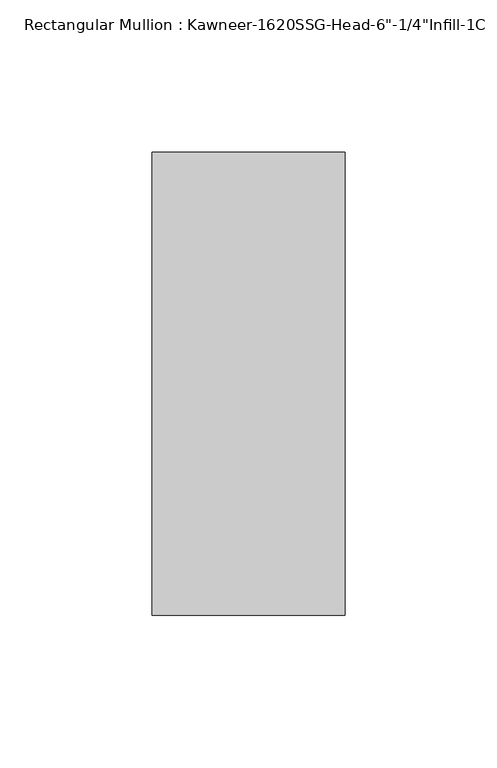
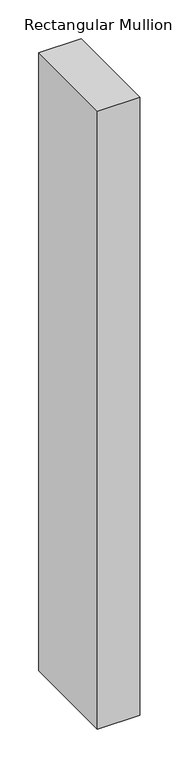
"""IFC4 building model written with IfcOpenShell, lengths in millimetres: member geometry."""

from ifc_helpers import new_model, si_unit, frame, origin, place, context, project, spatial, polyline, outline, extrude, source, transform, mapped, element, save


def member_c2e10183(model_context):
    return source(origin(), model_context, "Body", "SweptSolid", [
        extrude(outline(polyline([(-22.225, 28.575), (41.275, 28.575), (41.275, -123.825), (-22.225, -123.825), (-22.225, 28.575)])), frame((0.0, 0.0, -977.0317631), z_axis=(0.0, 0.0, 1.0), x_axis=(1.0, 0.0, 0.0)), (0.0, 0.0, 1.0), 977.0317631),
    ])


if __name__ == "__main__":
    model = new_model("IFC4")
    model_context = context("Model", 3, world=origin())
    ifc_project = project(units=[si_unit("LENGTHUNIT", "METRE", prefix="MILLI")], contexts=[model_context])
    site = spatial("IfcSite", under=ifc_project)
    building = spatial("IfcBuilding", under=site)
    placement = place(None, origin())
    member_shape = member_c2e10183(model_context)
    element("IfcMember", 1, ObjectType="Rectangular Mullion : Kawneer-1620SSG-Head-6\"-1/4\"Infill-1C", at=placement, inside=building, context=model_context, shape_type="MappedRepresentation", body=[
        mapped(member_shape, transform((0.0, 0.0, 0.0), x_axis=(1.0, 0.0, 0.0), y_axis=(0.0, 1.0, 0.0), z_axis=(0.0, 0.0, 1.0))),
    ])
    save(model, "model.ifc")
